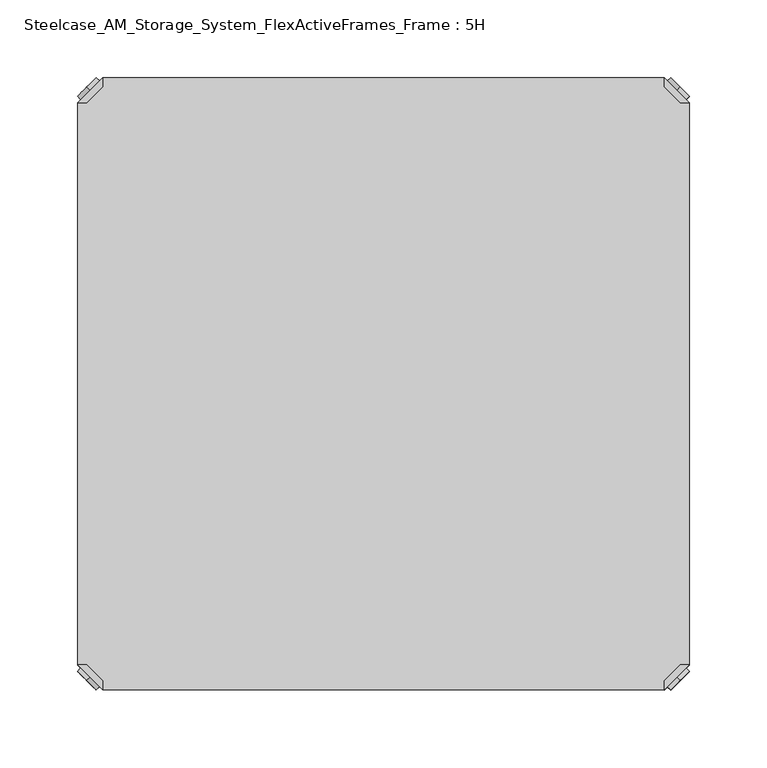
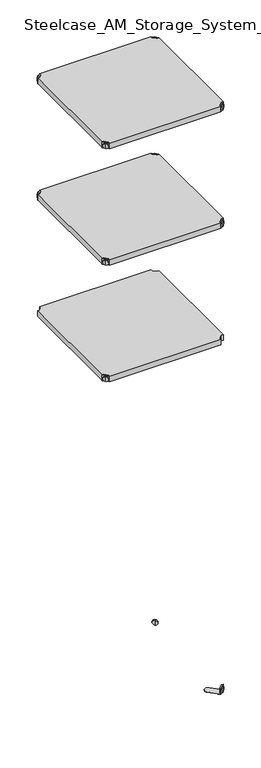
"""IFC4 building model written with IfcOpenShell, lengths in millimetres: furniture geometry, Steelcase_AM_Storage_System_FlexActiveFrames_Frame : 5H."""

from ifc_helpers import new_model, si_unit, frame, origin, place, context, project, spatial, polyline, circle_curve, outline, extrude, source, transform, mapped, element, save
from ifc_brep_helpers import plane_surface, cylinder_surface, advanced_brep


def steelcase_am_storage_system_flexactiveframes_frame_5h_ab9f8e36(model_context):
    return source(origin(), model_context, "Body", "SolidModel", [
        advanced_brep(
        [(10.9601551, 10.9601551, 1298.5), (10.9601551, 10.9601551, 1307.0), (10.9601551, 10.9601551, 1315.5), (8.8388348, 8.8388348, 1298.5), (8.8388348, 8.8388348, 1315.5), (8.8388348, 8.8388348, 1307.0)],
        [
            (0, 1),
            (1, 2),
            (2, 0, circle_curve(frame((10.9601551, 10.9601551, 1307.0), z_axis=(0.7071067811865464, 0.7071067811865487, 0.0), x_axis=(0.0, 0.0, 1.0)), 8.5)),
            (0, 2, circle_curve(frame((10.9601551, 10.9601551, 1307.0), z_axis=(0.7071067811865464, 0.7071067811865487, 0.0), x_axis=(0.0, 0.0, 1.0)), 8.5)),
            (3, 0),
            (2, 4),
            (4, 3, circle_curve(frame((8.8388348, 8.8388348, 1307.0), z_axis=(0.7071067811865464, 0.7071067811865487, 0.0), x_axis=(0.0, 0.0, 1.0)), 8.5)),
            (3, 4, circle_curve(frame((8.8388348, 8.8388348, 1307.0), z_axis=(0.7071067811865464, 0.7071067811865487, 0.0), x_axis=(0.0, 0.0, 1.0)), 8.5)),
            (5, 3),
            (4, 5),
        ],
        [
            plane_surface(frame((10.9601551, 10.9601551, 1307.0), z_axis=(0.707106781186546, 0.7071067811865491, 0.0), x_axis=(0.0, 0.0, 1.0))),
            cylinder_surface(frame((8.8388348, 8.8388348, 1307.0), z_axis=(-0.7071067811865464, -0.7071067811865487, 0.0), x_axis=(0.0, 0.0, 1.0)), 8.5),
            plane_surface(frame((8.8388348, 8.8388348, 1307.0), z_axis=(-0.707106781186546, -0.7071067811865491, 0.0), x_axis=(0.0, 0.0, 1.0))),
        ],
        [
            (0, [[1, 2, 3]]),
            (0, [[-2, -1, 4]]),
            (1, [[5, -3, 6, 7]]),
            (1, [[-6, -4, -5, 8]]),
            (2, [[9, -7, 10]]),
            (2, [[-10, -8, -9]]),
        ],
    ),
        advanced_brep(
        [(18.9203102, 3.0, 1317.0), (18.9203102, 8.6568542, 1317.0), (8.6568542, 18.9203102, 1317.0), (3.0, 18.9203102, 1317.0), (3.0, 18.9203102, 1298.0), (3.0, 18.9203102, 1297.0), (18.9203102, 3.0, 1297.0), (18.9203102, 3.0, 1298.0), (18.9203102, 8.6568542, 1298.0), (8.6568542, 18.9203102, 1298.0), (47.7297077, 31.8093975, 1298.0), (31.8093975, 47.7297077, 1298.0), (31.8093975, 47.7297077, 1297.0), (47.7297077, 31.8093975, 1297.0)],
        [
            (0, 1),
            (1, 2),
            (2, 3),
            (3, 0),
            (3, 4),
            (4, 5),
            (5, 6),
            (6, 7),
            (7, 0),
            (1, 8),
            (8, 9),
            (9, 2),
            (7, 8),
            (9, 4),
            (7, 10),
            (10, 11, circle_curve(frame((39.7695526, 39.7695526, 1298.0), z_axis=(0.0, 0.0, 1.0), x_axis=(1.0, 0.0, 0.0)), 11.2573593)),
            (11, 4),
            (5, 12),
            (12, 13, circle_curve(frame((39.7695526, 39.7695526, 1297.0), z_axis=(0.0, 0.0, -1.0), x_axis=(1.0, 0.0, 0.0)), 11.2573593)),
            (13, 6),
            (11, 12),
            (10, 13),
        ],
        [
            plane_surface(frame((-38.8756299, 60.7959401, 1317.0), z_axis=(0.0, 0.0, 1.0000000000000002), x_axis=(-0.7071067811865557, 0.7071067811865395, 0.0))),
            plane_surface(frame((18.9203102, 3.0, 1317.0), z_axis=(-0.7071067811865395, -0.7071067811865557, 0.0), x_axis=(0.0, 0.0, -1.0))),
            plane_surface(frame((8.6568542, 18.9203102, 1317.0), z_axis=(0.7071067811865481, 0.7071067811865469, 0.0), x_axis=(0.0, 0.0, -1.0))),
            plane_surface(frame((18.9203102, 8.6568542, 1317.0), z_axis=(1.0, 0.0, 0.0), x_axis=(0.0, 0.0, -1.0))),
            plane_surface(frame((3.0, 18.9203102, 1317.0), z_axis=(0.0, 1.0, 0.0), x_axis=(0.0, 0.0, -1.0))),
            plane_surface(frame((3.0, 18.9203102, 1298.0), z_axis=(0.0, 0.0, 1.0), x_axis=(-0.7071067811865485, 0.7071067811865466, 0.0))),
            plane_surface(frame((3.0, 18.9203102, 1297.0), z_axis=(0.0, 0.0, -1.0), x_axis=(0.7071067811865485, -0.7071067811865466, 0.0))),
            plane_surface(frame((3.0, 18.9203102, 1298.0), z_axis=(-0.7071067811865491, 0.707106781186546, 0.0), x_axis=(0.0, 0.0, -1.0))),
            cylinder_surface(frame((39.7695526, 39.7695526, 1297.0), z_axis=(0.0, 0.0, 1.0), x_axis=(1.0, 0.0, 0.0)), 11.2573593),
            plane_surface(frame((47.7297077, 31.8093975, 1298.0), z_axis=(0.707106781186548, -0.7071067811865471, 0.0), x_axis=(0.0, 0.0, -1.0))),
        ],
        [
            (0, [[1, 2, 3, 4]]),
            (1, [[5, 6, 7, 8, 9, -4]]),
            (2, [[10, 11, 12, -2]]),
            (3, [[-9, 13, -10, -1]]),
            (4, [[-12, 14, -5, -3]]),
            (5, [[-14, -11, -13, 15, 16, 17]]),
            (6, [[-7, 18, 19, 20]]),
            (7, [[21, -18, -6, -17]]),
            (8, [[22, -19, -21, -16]]),
            (9, [[-8, -20, -22, -15]]),
        ],
    ),
        extrude(outline(polyline([(381.0796898, 3.0), (18.9203102, 3.0), (18.9203102, 8.6568542), (8.6568542, 18.9203102), (3.0, 18.9203102), (3.0, 381.0796898), (8.6568542, 381.0796898), (18.9203102, 391.3431458), (18.9203102, 397.0), (381.0796898, 397.0), (381.0796898, 391.3431458), (391.3431458, 381.0796898), (397.0, 381.0796898), (397.0, 18.9203102), (391.3431458, 18.9203102), (381.0796898, 8.6568542), (381.0796898, 3.0)])), frame((0.0, 0.0, 1298.0), z_axis=(0.0, 0.0, 1.0), x_axis=(1.0, 0.0, 0.0)), (0.0, 0.0, 1.0), 19.0),
        advanced_brep(
        [(389.0398449, 10.9601551, 1698.5), (389.0398449, 10.9601551, 1715.5), (389.0398449, 10.9601551, 1707.0), (391.1611652, 8.8388348, 1698.5), (391.1611652, 8.8388348, 1715.5), (391.1611652, 8.8388348, 1707.0)],
        [
            (0, 1, circle_curve(frame((389.0398449, 10.9601551, 1707.0), z_axis=(-0.7071067811865556, 0.7071067811865395, 0.0), x_axis=(0.0, 0.0, 1.0)), 8.5)),
            (1, 2),
            (2, 0),
            (1, 0, circle_curve(frame((389.0398449, 10.9601551, 1707.0), z_axis=(-0.7071067811865556, 0.7071067811865395, 0.0), x_axis=(0.0, 0.0, 1.0)), 8.5)),
            (3, 4, circle_curve(frame((391.1611652, 8.8388348, 1707.0), z_axis=(-0.7071067811865556, 0.7071067811865395, 0.0), x_axis=(0.0, 0.0, 1.0)), 8.5)),
            (4, 1),
            (0, 3),
            (4, 3, circle_curve(frame((391.1611652, 8.8388348, 1707.0), z_axis=(-0.7071067811865556, 0.7071067811865395, 0.0), x_axis=(0.0, 0.0, 1.0)), 8.5)),
            (5, 4),
            (3, 5),
        ],
        [
            plane_surface(frame((389.0398449, 10.9601551, 1707.0), z_axis=(-0.7071067811865552, 0.7071067811865399, 0.0), x_axis=(0.0, 0.0, 1.0))),
            cylinder_surface(frame((391.1611652, 8.8388348, 1707.0), z_axis=(0.7071067811865556, -0.7071067811865395, 0.0), x_axis=(0.0, 0.0, 1.0)), 8.5),
            plane_surface(frame((391.1611652, 8.8388348, 1707.0), z_axis=(0.7071067811865552, -0.7071067811865399, 0.0), x_axis=(0.0, 0.0, 1.0))),
        ],
        [
            (0, [[1, 2, 3]]),
            (0, [[4, -3, -2]]),
            (1, [[5, 6, -1, 7]]),
            (1, [[8, -7, -4, -6]]),
            (2, [[9, -5, 10]]),
            (2, [[-10, -8, -9]]),
        ],
    ),
        advanced_brep(
        [(381.0796898, 3.0, 1717.0), (397.0, 18.9203102, 1717.0), (391.3431458, 18.9203102, 1717.0), (381.0796898, 8.6568542, 1717.0), (381.0796898, 3.0, 1698.0), (381.0796898, 3.0, 1697.0), (397.0, 18.9203102, 1697.0), (397.0, 18.9203102, 1698.0), (391.3431458, 18.9203102, 1698.0), (381.0796898, 8.6568542, 1698.0), (368.1906025, 47.7297077, 1698.0), (352.2702923, 31.8093975, 1698.0), (352.2702923, 31.8093975, 1697.0), (368.1906025, 47.7297077, 1697.0)],
        [
            (0, 1),
            (1, 2),
            (2, 3),
            (3, 0),
            (0, 4),
            (4, 5),
            (5, 6),
            (6, 7),
            (7, 1),
            (2, 8),
            (8, 9),
            (9, 3),
            (9, 4),
            (7, 8),
            (7, 10),
            (10, 11, circle_curve(frame((360.2304474, 39.7695526, 1698.0), z_axis=(0.0, 0.0, 1.0), x_axis=(-1.0, 0.0, 0.0)), 11.2573593)),
            (11, 4),
            (5, 12),
            (12, 13, circle_curve(frame((360.2304474, 39.7695526, 1697.0), z_axis=(0.0, 0.0, -1.0), x_axis=(-1.0, 0.0, 0.0)), 11.2573593)),
            (13, 6),
            (13, 10),
            (12, 11),
        ],
        [
            plane_surface(frame((438.8756299, 60.7959401, 1717.0), z_axis=(0.0, 0.0, 1.0000000000000002), x_axis=(0.7071067811865465, 0.7071067811865487, 0.0))),
            plane_surface(frame((381.0796898, 3.0, 1717.0), z_axis=(0.7071067811865487, -0.7071067811865465, 0.0), x_axis=(0.0, 0.0, -1.0))),
            plane_surface(frame((391.3431458, 18.9203102, 1717.0), z_axis=(-0.7071067811865573, 0.7071067811865377, 0.0), x_axis=(0.0, 0.0, -1.0))),
            plane_surface(frame((381.0796898, 8.6568542, 1717.0), z_axis=(-1.0, 0.0, 0.0), x_axis=(0.0, 0.0, -1.0))),
            plane_surface(frame((397.0, 18.9203102, 1717.0), z_axis=(0.0, 1.0, 0.0), x_axis=(0.0, 0.0, -1.0))),
            plane_surface(frame((397.0, 18.9203102, 1698.0), z_axis=(0.0, 0.0, 1.0), x_axis=(0.7071067811865392, 0.7071067811865558, 0.0))),
            plane_surface(frame((397.0, 18.9203102, 1697.0), z_axis=(0.0, 0.0, -1.0), x_axis=(-0.7071067811865392, -0.7071067811865558, 0.0))),
            plane_surface(frame((397.0, 18.9203102, 1698.0), z_axis=(0.7071067811865399, 0.7071067811865552, 0.0), x_axis=(0.0, 0.0, -1.0))),
            cylinder_surface(frame((360.2304474, 39.7695526, 1697.0), z_axis=(0.0, 0.0, 1.0), x_axis=(-1.0, 0.0, 0.0)), 11.2573593),
            plane_surface(frame((352.2702923, 31.8093975, 1698.0), z_axis=(-0.7071067811865388, -0.7071067811865563, 0.0), x_axis=(0.0, 0.0, -1.0))),
        ],
        [
            (0, [[1, 2, 3, 4]]),
            (1, [[-1, 5, 6, 7, 8, 9]]),
            (2, [[-3, 10, 11, 12]]),
            (3, [[-4, -12, 13, -5]]),
            (4, [[-2, -9, 14, -10]]),
            (5, [[15, 16, 17, -13, -11, -14]]),
            (6, [[18, 19, 20, -7]]),
            (7, [[-15, -8, -20, 21]]),
            (8, [[-16, -21, -19, 22]]),
            (9, [[-17, -22, -18, -6]]),
        ],
    ),
        advanced_brep(
        [(389.0398449, 389.0398449, 1698.5), (389.0398449, 389.0398449, 1707.0), (389.0398449, 389.0398449, 1715.5), (391.1611652, 391.1611652, 1698.5), (391.1611652, 391.1611652, 1715.5), (391.1611652, 391.1611652, 1707.0)],
        [
            (0, 1),
            (1, 2),
            (2, 0, circle_curve(frame((389.0398449, 389.0398449, 1707.0), z_axis=(-0.7071067811865509, -0.7071067811865441, 0.0), x_axis=(0.0, 0.0, 1.0)), 8.5)),
            (0, 2, circle_curve(frame((389.0398449, 389.0398449, 1707.0), z_axis=(-0.7071067811865509, -0.7071067811865441, 0.0), x_axis=(0.0, 0.0, 1.0)), 8.5)),
            (3, 0),
            (2, 4),
            (4, 3, circle_curve(frame((391.1611652, 391.1611652, 1707.0), z_axis=(-0.7071067811865509, -0.7071067811865441, 0.0), x_axis=(0.0, 0.0, 1.0)), 8.5)),
            (3, 4, circle_curve(frame((391.1611652, 391.1611652, 1707.0), z_axis=(-0.7071067811865509, -0.7071067811865441, 0.0), x_axis=(0.0, 0.0, 1.0)), 8.5)),
            (5, 3),
            (4, 5),
        ],
        [
            plane_surface(frame((389.0398449, 389.0398449, 1707.0), z_axis=(-0.7071067811865506, -0.7071067811865446, 0.0), x_axis=(0.0, 0.0, 1.0))),
            cylinder_surface(frame((391.1611652, 391.1611652, 1707.0), z_axis=(0.7071067811865509, 0.7071067811865441, 0.0), x_axis=(0.0, 0.0, 1.0)), 8.5),
            plane_surface(frame((391.1611652, 391.1611652, 1707.0), z_axis=(0.7071067811865506, 0.7071067811865446, 0.0), x_axis=(0.0, 0.0, 1.0))),
        ],
        [
            (0, [[1, 2, 3]]),
            (0, [[-2, -1, 4]]),
            (1, [[5, -3, 6, 7]]),
            (1, [[-6, -4, -5, 8]]),
            (2, [[9, -7, 10]]),
            (2, [[-10, -8, -9]]),
        ],
    ),
        advanced_brep(
        [(381.0796898, 397.0, 1717.0), (381.0796898, 391.3431458, 1717.0), (391.3431458, 381.0796898, 1717.0), (397.0, 381.0796898, 1717.0), (397.0, 381.0796898, 1698.0), (397.0, 381.0796898, 1697.0), (381.0796898, 397.0, 1697.0), (381.0796898, 397.0, 1698.0), (381.0796898, 391.3431458, 1698.0), (391.3431458, 381.0796898, 1698.0), (352.2702923, 368.1906025, 1698.0), (368.1906025, 352.2702923, 1698.0), (368.1906025, 352.2702923, 1697.0), (352.2702923, 368.1906025, 1697.0)],
        [
            (0, 1),
            (1, 2),
            (2, 3),
            (3, 0),
            (3, 4),
            (4, 5),
            (5, 6),
            (6, 7),
            (7, 0),
            (1, 8),
            (8, 9),
            (9, 2),
            (7, 8),
            (9, 4),
            (7, 10),
            (10, 11, circle_curve(frame((360.2304474, 360.2304474, 1698.0), z_axis=(0.0, 0.0, 1.0), x_axis=(-1.0, 0.0, 0.0)), 11.2573593)),
            (11, 4),
            (5, 12),
            (12, 13, circle_curve(frame((360.2304474, 360.2304474, 1697.0), z_axis=(0.0, 0.0, -1.0), x_axis=(-1.0, 0.0, 0.0)), 11.2573593)),
            (13, 6),
            (11, 12),
            (10, 13),
        ],
        [
            plane_surface(frame((438.8756299, 339.2040599, 1717.0), z_axis=(0.0, 0.0, 1.0000000000000002), x_axis=(0.7071067811865511, -0.707106781186544, 0.0))),
            plane_surface(frame((381.0796898, 397.0, 1717.0), z_axis=(0.707106781186544, 0.7071067811865511, 0.0), x_axis=(0.0, 0.0, -1.0))),
            plane_surface(frame((391.3431458, 381.0796898, 1717.0), z_axis=(-0.7071067811865527, -0.7071067811865424, 0.0), x_axis=(0.0, 0.0, -1.0))),
            plane_surface(frame((381.0796898, 391.3431458, 1717.0), z_axis=(-1.0, 0.0, 0.0), x_axis=(0.0, 0.0, -1.0))),
            plane_surface(frame((397.0, 381.0796898, 1717.0), z_axis=(0.0, -1.0, 0.0), x_axis=(0.0, 0.0, -1.0))),
            plane_surface(frame((397.0, 381.0796898, 1698.0), z_axis=(0.0, 0.0, 1.0), x_axis=(0.7071067811865439, -0.7071067811865511, 0.0))),
            plane_surface(frame((397.0, 381.0796898, 1697.0), z_axis=(0.0, 0.0, -1.0), x_axis=(-0.7071067811865439, 0.7071067811865511, 0.0))),
            plane_surface(frame((397.0, 381.0796898, 1698.0), z_axis=(0.7071067811865446, -0.7071067811865506, 0.0), x_axis=(0.0, 0.0, -1.0))),
            cylinder_surface(frame((360.2304474, 360.2304474, 1697.0), z_axis=(0.0, 0.0, 1.0), x_axis=(-1.0, 0.0, 0.0)), 11.2573593),
            plane_surface(frame((352.2702923, 368.1906025, 1698.0), z_axis=(-0.7071067811865435, 0.7071067811865517, 0.0), x_axis=(0.0, 0.0, -1.0))),
        ],
        [
            (0, [[1, 2, 3, 4]]),
            (1, [[5, 6, 7, 8, 9, -4]]),
            (2, [[10, 11, 12, -2]]),
            (3, [[-9, 13, -10, -1]]),
            (4, [[-12, 14, -5, -3]]),
            (5, [[-14, -11, -13, 15, 16, 17]]),
            (6, [[-7, 18, 19, 20]]),
            (7, [[21, -18, -6, -17]]),
            (8, [[22, -19, -21, -16]]),
            (9, [[-8, -20, -22, -15]]),
        ],
    ),
        advanced_brep(
        [(10.9601551, 389.0398449, 1698.5), (10.9601551, 389.0398449, 1715.5), (10.9601551, 389.0398449, 1707.0), (8.8388348, 391.1611652, 1698.5), (8.8388348, 391.1611652, 1715.5), (8.8388348, 391.1611652, 1707.0)],
        [
            (0, 1, circle_curve(frame((10.9601551, 389.0398449, 1707.0), z_axis=(0.7071067811865509, -0.7071067811865441, 0.0), x_axis=(0.0, 0.0, 1.0)), 8.5)),
            (1, 2),
            (2, 0),
            (1, 0, circle_curve(frame((10.9601551, 389.0398449, 1707.0), z_axis=(0.7071067811865509, -0.7071067811865441, 0.0), x_axis=(0.0, 0.0, 1.0)), 8.5)),
            (3, 4, circle_curve(frame((8.8388348, 391.1611652, 1707.0), z_axis=(0.7071067811865509, -0.7071067811865441, 0.0), x_axis=(0.0, 0.0, 1.0)), 8.5)),
            (4, 1),
            (0, 3),
            (4, 3, circle_curve(frame((8.8388348, 391.1611652, 1707.0), z_axis=(0.7071067811865509, -0.7071067811865441, 0.0), x_axis=(0.0, 0.0, 1.0)), 8.5)),
            (5, 4),
            (3, 5),
        ],
        [
            plane_surface(frame((10.9601551, 389.0398449, 1707.0), z_axis=(0.7071067811865506, -0.7071067811865446, 0.0), x_axis=(0.0, 0.0, 1.0))),
            cylinder_surface(frame((8.8388348, 391.1611652, 1707.0), z_axis=(-0.7071067811865509, 0.7071067811865441, 0.0), x_axis=(0.0, 0.0, 1.0)), 8.5),
            plane_surface(frame((8.8388348, 391.1611652, 1707.0), z_axis=(-0.7071067811865506, 0.7071067811865446, 0.0), x_axis=(0.0, 0.0, 1.0))),
        ],
        [
            (0, [[1, 2, 3]]),
            (0, [[4, -3, -2]]),
            (1, [[5, 6, -1, 7]]),
            (1, [[8, -7, -4, -6]]),
            (2, [[9, -5, 10]]),
            (2, [[-10, -8, -9]]),
        ],
    ),
        advanced_brep(
        [(18.9203102, 397.0, 1717.0), (3.0, 381.0796898, 1717.0), (8.6568542, 381.0796898, 1717.0), (18.9203102, 391.3431458, 1717.0), (18.9203102, 397.0, 1698.0), (18.9203102, 397.0, 1697.0), (3.0, 381.0796898, 1697.0), (3.0, 381.0796898, 1698.0), (8.6568542, 381.0796898, 1698.0), (18.9203102, 391.3431458, 1698.0), (31.8093975, 352.2702923, 1698.0), (47.7297077, 368.1906025, 1698.0), (47.7297077, 368.1906025, 1697.0), (31.8093975, 352.2702923, 1697.0)],
        [
            (0, 1),
            (1, 2),
            (2, 3),
            (3, 0),
            (0, 4),
            (4, 5),
            (5, 6),
            (6, 7),
            (7, 1),
            (2, 8),
            (8, 9),
            (9, 3),
            (9, 4),
            (7, 8),
            (7, 10),
            (10, 11, circle_curve(frame((39.7695526, 360.2304474, 1698.0), z_axis=(0.0, 0.0, 1.0), x_axis=(1.0, 0.0, 0.0)), 11.2573593)),
            (11, 4),
            (5, 12),
            (12, 13, circle_curve(frame((39.7695526, 360.2304474, 1697.0), z_axis=(0.0, 0.0, -1.0), x_axis=(1.0, 0.0, 0.0)), 11.2573593)),
            (13, 6),
            (13, 10),
            (12, 11),
        ],
        [
            plane_surface(frame((-38.8756299, 339.2040599, 1717.0), z_axis=(0.0, 0.0, 1.0000000000000002), x_axis=(-0.7071067811865511, -0.707106781186544, 0.0))),
            plane_surface(frame((18.9203102, 397.0, 1717.0), z_axis=(-0.707106781186544, 0.7071067811865511, 0.0), x_axis=(0.0, 0.0, -1.0))),
            plane_surface(frame((8.6568542, 381.0796898, 1717.0), z_axis=(0.7071067811865527, -0.7071067811865424, 0.0), x_axis=(0.0, 0.0, -1.0))),
            plane_surface(frame((18.9203102, 391.3431458, 1717.0), z_axis=(1.0, 0.0, 0.0), x_axis=(0.0, 0.0, -1.0))),
            plane_surface(frame((3.0, 381.0796898, 1717.0), z_axis=(0.0, -1.0, 0.0), x_axis=(0.0, 0.0, -1.0))),
            plane_surface(frame((3.0, 381.0796898, 1698.0), z_axis=(0.0, 0.0, 1.0), x_axis=(-0.7071067811865439, -0.7071067811865511, 0.0))),
            plane_surface(frame((3.0, 381.0796898, 1697.0), z_axis=(0.0, 0.0, -1.0), x_axis=(0.7071067811865439, 0.7071067811865511, 0.0))),
            plane_surface(frame((3.0, 381.0796898, 1698.0), z_axis=(-0.7071067811865446, -0.7071067811865506, 0.0), x_axis=(0.0, 0.0, -1.0))),
            cylinder_surface(frame((39.7695526, 360.2304474, 1697.0), z_axis=(0.0, 0.0, 1.0), x_axis=(1.0, 0.0, 0.0)), 11.2573593),
            plane_surface(frame((47.7297077, 368.1906025, 1698.0), z_axis=(0.7071067811865435, 0.7071067811865517, 0.0), x_axis=(0.0, 0.0, -1.0))),
        ],
        [
            (0, [[1, 2, 3, 4]]),
            (1, [[-1, 5, 6, 7, 8, 9]]),
            (2, [[-3, 10, 11, 12]]),
            (3, [[-4, -12, 13, -5]]),
            (4, [[-2, -9, 14, -10]]),
            (5, [[15, 16, 17, -13, -11, -14]]),
            (6, [[18, 19, 20, -7]]),
            (7, [[-15, -8, -20, 21]]),
            (8, [[-16, -21, -19, 22]]),
            (9, [[-17, -22, -18, -6]]),
        ],
    ),
        advanced_brep(
        [(10.9601551, 10.9601551, 1698.5), (10.9601551, 10.9601551, 1707.0), (10.9601551, 10.9601551, 1715.5), (8.8388348, 8.8388348, 1698.5), (8.8388348, 8.8388348, 1715.5), (8.8388348, 8.8388348, 1707.0)],
        [
            (0, 1),
            (1, 2),
            (2, 0, circle_curve(frame((10.9601551, 10.9601551, 1707.0), z_axis=(0.7071067811865464, 0.7071067811865487, 0.0), x_axis=(0.0, 0.0, 1.0)), 8.5)),
            (0, 2, circle_curve(frame((10.9601551, 10.9601551, 1707.0), z_axis=(0.7071067811865464, 0.7071067811865487, 0.0), x_axis=(0.0, 0.0, 1.0)), 8.5)),
            (3, 0),
            (2, 4),
            (4, 3, circle_curve(frame((8.8388348, 8.8388348, 1707.0), z_axis=(0.7071067811865464, 0.7071067811865487, 0.0), x_axis=(0.0, 0.0, 1.0)), 8.5)),
            (3, 4, circle_curve(frame((8.8388348, 8.8388348, 1707.0), z_axis=(0.7071067811865464, 0.7071067811865487, 0.0), x_axis=(0.0, 0.0, 1.0)), 8.5)),
            (5, 3),
            (4, 5),
        ],
        [
            plane_surface(frame((10.9601551, 10.9601551, 1707.0), z_axis=(0.707106781186546, 0.7071067811865491, 0.0), x_axis=(0.0, 0.0, 1.0))),
            cylinder_surface(frame((8.8388348, 8.8388348, 1707.0), z_axis=(-0.7071067811865464, -0.7071067811865487, 0.0), x_axis=(0.0, 0.0, 1.0)), 8.5),
            plane_surface(frame((8.8388348, 8.8388348, 1707.0), z_axis=(-0.707106781186546, -0.7071067811865491, 0.0), x_axis=(0.0, 0.0, 1.0))),
        ],
        [
            (0, [[1, 2, 3]]),
            (0, [[-2, -1, 4]]),
            (1, [[5, -3, 6, 7]]),
            (1, [[-6, -4, -5, 8]]),
            (2, [[9, -7, 10]]),
            (2, [[-10, -8, -9]]),
        ],
    ),
        advanced_brep(
        [(18.9203102, 3.0, 1717.0), (18.9203102, 8.6568542, 1717.0), (8.6568542, 18.9203102, 1717.0), (3.0, 18.9203102, 1717.0), (3.0, 18.9203102, 1698.0), (3.0, 18.9203102, 1697.0), (18.9203102, 3.0, 1697.0), (18.9203102, 3.0, 1698.0), (18.9203102, 8.6568542, 1698.0), (8.6568542, 18.9203102, 1698.0), (47.7297077, 31.8093975, 1698.0), (31.8093975, 47.7297077, 1698.0), (31.8093975, 47.7297077, 1697.0), (47.7297077, 31.8093975, 1697.0)],
        [
            (0, 1),
            (1, 2),
            (2, 3),
            (3, 0),
            (3, 4),
            (4, 5),
            (5, 6),
            (6, 7),
            (7, 0),
            (1, 8),
            (8, 9),
            (9, 2),
            (7, 8),
            (9, 4),
            (7, 10),
            (10, 11, circle_curve(frame((39.7695526, 39.7695526, 1698.0), z_axis=(0.0, 0.0, 1.0), x_axis=(1.0, 0.0, 0.0)), 11.2573593)),
            (11, 4),
            (5, 12),
            (12, 13, circle_curve(frame((39.7695526, 39.7695526, 1697.0), z_axis=(0.0, 0.0, -1.0), x_axis=(1.0, 0.0, 0.0)), 11.2573593)),
            (13, 6),
            (11, 12),
            (10, 13),
        ],
        [
            plane_surface(frame((-38.8756299, 60.7959401, 1717.0), z_axis=(0.0, 0.0, 1.0000000000000002), x_axis=(-0.7071067811865557, 0.7071067811865395, 0.0))),
            plane_surface(frame((18.9203102, 3.0, 1717.0), z_axis=(-0.7071067811865395, -0.7071067811865557, 0.0), x_axis=(0.0, 0.0, -1.0))),
            plane_surface(frame((8.6568542, 18.9203102, 1717.0), z_axis=(0.7071067811865481, 0.7071067811865469, 0.0), x_axis=(0.0, 0.0, -1.0))),
            plane_surface(frame((18.9203102, 8.6568542, 1717.0), z_axis=(1.0, 0.0, 0.0), x_axis=(0.0, 0.0, -1.0))),
            plane_surface(frame((3.0, 18.9203102, 1717.0), z_axis=(0.0, 1.0, 0.0), x_axis=(0.0, 0.0, -1.0))),
            plane_surface(frame((3.0, 18.9203102, 1698.0), z_axis=(0.0, 0.0, 1.0), x_axis=(-0.7071067811865485, 0.7071067811865466, 0.0))),
            plane_surface(frame((3.0, 18.9203102, 1697.0), z_axis=(0.0, 0.0, -1.0), x_axis=(0.7071067811865485, -0.7071067811865466, 0.0))),
            plane_surface(frame((3.0, 18.9203102, 1698.0), z_axis=(-0.7071067811865491, 0.707106781186546, 0.0), x_axis=(0.0, 0.0, -1.0))),
            cylinder_surface(frame((39.7695526, 39.7695526, 1697.0), z_axis=(0.0, 0.0, 1.0), x_axis=(1.0, 0.0, 0.0)), 11.2573593),
            plane_surface(frame((47.7297077, 31.8093975, 1698.0), z_axis=(0.707106781186548, -0.7071067811865471, 0.0), x_axis=(0.0, 0.0, -1.0))),
        ],
        [
            (0, [[1, 2, 3, 4]]),
            (1, [[5, 6, 7, 8, 9, -4]]),
            (2, [[10, 11, 12, -2]]),
            (3, [[-9, 13, -10, -1]]),
            (4, [[-12, 14, -5, -3]]),
            (5, [[-14, -11, -13, 15, 16, 17]]),
            (6, [[-7, 18, 19, 20]]),
            (7, [[21, -18, -6, -17]]),
            (8, [[22, -19, -21, -16]]),
            (9, [[-8, -20, -22, -15]]),
        ],
    ),
        extrude(outline(polyline([(381.0796898, 3.0), (18.9203102, 3.0), (18.9203102, 8.6568542), (8.6568542, 18.9203102), (3.0, 18.9203102), (3.0, 381.0796898), (8.6568542, 381.0796898), (18.9203102, 391.3431458), (18.9203102, 397.0), (381.0796898, 397.0), (381.0796898, 391.3431458), (391.3431458, 381.0796898), (397.0, 381.0796898), (397.0, 18.9203102), (391.3431458, 18.9203102), (381.0796898, 8.6568542), (381.0796898, 3.0)])), frame((0.0, 0.0, 1698.0), z_axis=(0.0, 0.0, 1.0), x_axis=(1.0, 0.0, 0.0)), (0.0, 0.0, 1.0), 19.0),
        advanced_brep(
        [(389.0398449, 10.9601551, 2098.5), (389.0398449, 10.9601551, 2115.5), (389.0398449, 10.9601551, 2107.0), (391.1611652, 8.8388348, 2098.5), (391.1611652, 8.8388348, 2115.5), (391.1611652, 8.8388348, 2107.0)],
        [
            (0, 1, circle_curve(frame((389.0398449, 10.9601551, 2107.0), z_axis=(-0.7071067811865556, 0.7071067811865395, 0.0), x_axis=(0.0, 0.0, 1.0)), 8.5)),
            (1, 2),
            (2, 0),
            (1, 0, circle_curve(frame((389.0398449, 10.9601551, 2107.0), z_axis=(-0.7071067811865556, 0.7071067811865395, 0.0), x_axis=(0.0, 0.0, 1.0)), 8.5)),
            (3, 4, circle_curve(frame((391.1611652, 8.8388348, 2107.0), z_axis=(-0.7071067811865556, 0.7071067811865395, 0.0), x_axis=(0.0, 0.0, 1.0)), 8.5)),
            (4, 1),
            (0, 3),
            (4, 3, circle_curve(frame((391.1611652, 8.8388348, 2107.0), z_axis=(-0.7071067811865556, 0.7071067811865395, 0.0), x_axis=(0.0, 0.0, 1.0)), 8.5)),
            (5, 4),
            (3, 5),
        ],
        [
            plane_surface(frame((389.0398449, 10.9601551, 2107.0), z_axis=(-0.7071067811865552, 0.7071067811865399, 0.0), x_axis=(0.0, 0.0, 1.0))),
            cylinder_surface(frame((391.1611652, 8.8388348, 2107.0), z_axis=(0.7071067811865556, -0.7071067811865395, 0.0), x_axis=(0.0, 0.0, 1.0)), 8.5),
            plane_surface(frame((391.1611652, 8.8388348, 2107.0), z_axis=(0.7071067811865552, -0.7071067811865399, 0.0), x_axis=(0.0, 0.0, 1.0))),
        ],
        [
            (0, [[1, 2, 3]]),
            (0, [[4, -3, -2]]),
            (1, [[5, 6, -1, 7]]),
            (1, [[8, -7, -4, -6]]),
            (2, [[9, -5, 10]]),
            (2, [[-10, -8, -9]]),
        ],
    ),
        advanced_brep(
        [(381.0796898, 3.0, 2117.0), (397.0, 18.9203102, 2117.0), (391.3431458, 18.9203102, 2117.0), (381.0796898, 8.6568542, 2117.0), (381.0796898, 3.0, 2098.0), (381.0796898, 3.0, 2097.0), (397.0, 18.9203102, 2097.0), (397.0, 18.9203102, 2098.0), (391.3431458, 18.9203102, 2098.0), (381.0796898, 8.6568542, 2098.0), (368.1906025, 47.7297077, 2098.0), (352.2702923, 31.8093975, 2098.0), (352.2702923, 31.8093975, 2097.0), (368.1906025, 47.7297077, 2097.0)],
        [
            (0, 1),
            (1, 2),
            (2, 3),
            (3, 0),
            (0, 4),
            (4, 5),
            (5, 6),
            (6, 7),
            (7, 1),
            (2, 8),
            (8, 9),
            (9, 3),
            (9, 4),
            (7, 8),
            (7, 10),
            (10, 11, circle_curve(frame((360.2304474, 39.7695526, 2098.0), z_axis=(0.0, 0.0, 1.0), x_axis=(-1.0, 0.0, 0.0)), 11.2573593)),
            (11, 4),
            (5, 12),
            (12, 13, circle_curve(frame((360.2304474, 39.7695526, 2097.0), z_axis=(0.0, 0.0, -1.0), x_axis=(-1.0, 0.0, 0.0)), 11.2573593)),
            (13, 6),
            (13, 10),
            (12, 11),
        ],
        [
            plane_surface(frame((438.8756299, 60.7959401, 2117.0), z_axis=(0.0, 0.0, 1.0000000000000002), x_axis=(0.7071067811865465, 0.7071067811865487, 0.0))),
            plane_surface(frame((381.0796898, 3.0, 2117.0), z_axis=(0.7071067811865487, -0.7071067811865465, 0.0), x_axis=(0.0, 0.0, -1.0))),
            plane_surface(frame((391.3431458, 18.9203102, 2117.0), z_axis=(-0.7071067811865573, 0.7071067811865377, 0.0), x_axis=(0.0, 0.0, -1.0))),
            plane_surface(frame((381.0796898, 8.6568542, 2117.0), z_axis=(-1.0, 0.0, 0.0), x_axis=(0.0, 0.0, -1.0))),
            plane_surface(frame((397.0, 18.9203102, 2117.0), z_axis=(0.0, 1.0, 0.0), x_axis=(0.0, 0.0, -1.0))),
            plane_surface(frame((397.0, 18.9203102, 2098.0), z_axis=(0.0, 0.0, 1.0), x_axis=(0.7071067811865392, 0.7071067811865558, 0.0))),
            plane_surface(frame((397.0, 18.9203102, 2097.0), z_axis=(0.0, 0.0, -1.0), x_axis=(-0.7071067811865392, -0.7071067811865558, 0.0))),
            plane_surface(frame((397.0, 18.9203102, 2098.0), z_axis=(0.7071067811865399, 0.7071067811865552, 0.0), x_axis=(0.0, 0.0, -1.0))),
            cylinder_surface(frame((360.2304474, 39.7695526, 2097.0), z_axis=(0.0, 0.0, 1.0), x_axis=(-1.0, 0.0, 0.0)), 11.2573593),
            plane_surface(frame((352.2702923, 31.8093975, 2098.0), z_axis=(-0.7071067811865388, -0.7071067811865563, 0.0), x_axis=(0.0, 0.0, -1.0))),
        ],
        [
            (0, [[1, 2, 3, 4]]),
            (1, [[-1, 5, 6, 7, 8, 9]]),
            (2, [[-3, 10, 11, 12]]),
            (3, [[-4, -12, 13, -5]]),
            (4, [[-2, -9, 14, -10]]),
            (5, [[15, 16, 17, -13, -11, -14]]),
            (6, [[18, 19, 20, -7]]),
            (7, [[-15, -8, -20, 21]]),
            (8, [[-16, -21, -19, 22]]),
            (9, [[-17, -22, -18, -6]]),
        ],
    ),
        advanced_brep(
        [(389.0398449, 389.0398449, 2098.5), (389.0398449, 389.0398449, 2107.0), (389.0398449, 389.0398449, 2115.5), (391.1611652, 391.1611652, 2098.5), (391.1611652, 391.1611652, 2115.5), (391.1611652, 391.1611652, 2107.0)],
        [
            (0, 1),
            (1, 2),
            (2, 0, circle_curve(frame((389.0398449, 389.0398449, 2107.0), z_axis=(-0.7071067811865509, -0.7071067811865441, 0.0), x_axis=(0.0, 0.0, 1.0)), 8.5)),
            (0, 2, circle_curve(frame((389.0398449, 389.0398449, 2107.0), z_axis=(-0.7071067811865509, -0.7071067811865441, 0.0), x_axis=(0.0, 0.0, 1.0)), 8.5)),
            (3, 0),
            (2, 4),
            (4, 3, circle_curve(frame((391.1611652, 391.1611652, 2107.0), z_axis=(-0.7071067811865509, -0.7071067811865441, 0.0), x_axis=(0.0, 0.0, 1.0)), 8.5)),
            (3, 4, circle_curve(frame((391.1611652, 391.1611652, 2107.0), z_axis=(-0.7071067811865509, -0.7071067811865441, 0.0), x_axis=(0.0, 0.0, 1.0)), 8.5)),
            (5, 3),
            (4, 5),
        ],
        [
            plane_surface(frame((389.0398449, 389.0398449, 2107.0), z_axis=(-0.7071067811865506, -0.7071067811865446, 0.0), x_axis=(0.0, 0.0, 1.0))),
            cylinder_surface(frame((391.1611652, 391.1611652, 2107.0), z_axis=(0.7071067811865509, 0.7071067811865441, 0.0), x_axis=(0.0, 0.0, 1.0)), 8.5),
            plane_surface(frame((391.1611652, 391.1611652, 2107.0), z_axis=(0.7071067811865506, 0.7071067811865446, 0.0), x_axis=(0.0, 0.0, 1.0))),
        ],
        [
            (0, [[1, 2, 3]]),
            (0, [[-2, -1, 4]]),
            (1, [[5, -3, 6, 7]]),
            (1, [[-6, -4, -5, 8]]),
            (2, [[9, -7, 10]]),
            (2, [[-10, -8, -9]]),
        ],
    ),
        advanced_brep(
        [(381.0796898, 397.0, 2117.0), (381.0796898, 391.3431458, 2117.0), (391.3431458, 381.0796898, 2117.0), (397.0, 381.0796898, 2117.0), (397.0, 381.0796898, 2098.0), (397.0, 381.0796898, 2097.0), (381.0796898, 397.0, 2097.0), (381.0796898, 397.0, 2098.0), (381.0796898, 391.3431458, 2098.0), (391.3431458, 381.0796898, 2098.0), (352.2702923, 368.1906025, 2098.0), (368.1906025, 352.2702923, 2098.0), (368.1906025, 352.2702923, 2097.0), (352.2702923, 368.1906025, 2097.0)],
        [
            (0, 1),
            (1, 2),
            (2, 3),
            (3, 0),
            (3, 4),
            (4, 5),
            (5, 6),
            (6, 7),
            (7, 0),
            (1, 8),
            (8, 9),
            (9, 2),
            (7, 8),
            (9, 4),
            (7, 10),
            (10, 11, circle_curve(frame((360.2304474, 360.2304474, 2098.0), z_axis=(0.0, 0.0, 1.0), x_axis=(-1.0, 0.0, 0.0)), 11.2573593)),
            (11, 4),
            (5, 12),
            (12, 13, circle_curve(frame((360.2304474, 360.2304474, 2097.0), z_axis=(0.0, 0.0, -1.0), x_axis=(-1.0, 0.0, 0.0)), 11.2573593)),
            (13, 6),
            (11, 12),
            (10, 13),
        ],
        [
            plane_surface(frame((438.8756299, 339.2040599, 2117.0), z_axis=(0.0, 0.0, 1.0000000000000002), x_axis=(0.7071067811865511, -0.707106781186544, 0.0))),
            plane_surface(frame((381.0796898, 397.0, 2117.0), z_axis=(0.707106781186544, 0.7071067811865511, 0.0), x_axis=(0.0, 0.0, -1.0))),
            plane_surface(frame((391.3431458, 381.0796898, 2117.0), z_axis=(-0.7071067811865527, -0.7071067811865424, 0.0), x_axis=(0.0, 0.0, -1.0))),
            plane_surface(frame((381.0796898, 391.3431458, 2117.0), z_axis=(-1.0, 0.0, 0.0), x_axis=(0.0, 0.0, -1.0))),
            plane_surface(frame((397.0, 381.0796898, 2117.0), z_axis=(0.0, -1.0, 0.0), x_axis=(0.0, 0.0, -1.0))),
            plane_surface(frame((397.0, 381.0796898, 2098.0), z_axis=(0.0, 0.0, 1.0), x_axis=(0.7071067811865439, -0.7071067811865511, 0.0))),
            plane_surface(frame((397.0, 381.0796898, 2097.0), z_axis=(0.0, 0.0, -1.0), x_axis=(-0.7071067811865439, 0.7071067811865511, 0.0))),
            plane_surface(frame((397.0, 381.0796898, 2098.0), z_axis=(0.7071067811865446, -0.7071067811865506, 0.0), x_axis=(0.0, 0.0, -1.0))),
            cylinder_surface(frame((360.2304474, 360.2304474, 2097.0), z_axis=(0.0, 0.0, 1.0), x_axis=(-1.0, 0.0, 0.0)), 11.2573593),
            plane_surface(frame((352.2702923, 368.1906025, 2098.0), z_axis=(-0.7071067811865435, 0.7071067811865517, 0.0), x_axis=(0.0, 0.0, -1.0))),
        ],
        [
            (0, [[1, 2, 3, 4]]),
            (1, [[5, 6, 7, 8, 9, -4]]),
            (2, [[10, 11, 12, -2]]),
            (3, [[-9, 13, -10, -1]]),
            (4, [[-12, 14, -5, -3]]),
            (5, [[-14, -11, -13, 15, 16, 17]]),
            (6, [[-7, 18, 19, 20]]),
            (7, [[21, -18, -6, -17]]),
            (8, [[22, -19, -21, -16]]),
            (9, [[-8, -20, -22, -15]]),
        ],
    ),
        advanced_brep(
        [(10.9601551, 389.0398449, 2098.5), (10.9601551, 389.0398449, 2115.5), (10.9601551, 389.0398449, 2107.0), (8.8388348, 391.1611652, 2098.5), (8.8388348, 391.1611652, 2115.5), (8.8388348, 391.1611652, 2107.0)],
        [
            (0, 1, circle_curve(frame((10.9601551, 389.0398449, 2107.0), z_axis=(0.7071067811865509, -0.7071067811865441, 0.0), x_axis=(0.0, 0.0, 1.0)), 8.5)),
            (1, 2),
            (2, 0),
            (1, 0, circle_curve(frame((10.9601551, 389.0398449, 2107.0), z_axis=(0.7071067811865509, -0.7071067811865441, 0.0), x_axis=(0.0, 0.0, 1.0)), 8.5)),
            (3, 4, circle_curve(frame((8.8388348, 391.1611652, 2107.0), z_axis=(0.7071067811865509, -0.7071067811865441, 0.0), x_axis=(0.0, 0.0, 1.0)), 8.5)),
            (4, 1),
            (0, 3),
            (4, 3, circle_curve(frame((8.8388348, 391.1611652, 2107.0), z_axis=(0.7071067811865509, -0.7071067811865441, 0.0), x_axis=(0.0, 0.0, 1.0)), 8.5)),
            (5, 4),
            (3, 5),
        ],
        [
            plane_surface(frame((10.9601551, 389.0398449, 2107.0), z_axis=(0.7071067811865506, -0.7071067811865446, 0.0), x_axis=(0.0, 0.0, 1.0))),
            cylinder_surface(frame((8.8388348, 391.1611652, 2107.0), z_axis=(-0.7071067811865509, 0.7071067811865441, 0.0), x_axis=(0.0, 0.0, 1.0)), 8.5),
            plane_surface(frame((8.8388348, 391.1611652, 2107.0), z_axis=(-0.7071067811865506, 0.7071067811865446, 0.0), x_axis=(0.0, 0.0, 1.0))),
        ],
        [
            (0, [[1, 2, 3]]),
            (0, [[4, -3, -2]]),
            (1, [[5, 6, -1, 7]]),
            (1, [[8, -7, -4, -6]]),
            (2, [[9, -5, 10]]),
            (2, [[-10, -8, -9]]),
        ],
    ),
        advanced_brep(
        [(18.9203102, 397.0, 2117.0), (3.0, 381.0796898, 2117.0), (8.6568542, 381.0796898, 2117.0), (18.9203102, 391.3431458, 2117.0), (18.9203102, 397.0, 2098.0), (18.9203102, 397.0, 2097.0), (3.0, 381.0796898, 2097.0), (3.0, 381.0796898, 2098.0), (8.6568542, 381.0796898, 2098.0), (18.9203102, 391.3431458, 2098.0), (31.8093975, 352.2702923, 2098.0), (47.7297077, 368.1906025, 2098.0), (47.7297077, 368.1906025, 2097.0), (31.8093975, 352.2702923, 2097.0)],
        [
            (0, 1),
            (1, 2),
            (2, 3),
            (3, 0),
            (0, 4),
            (4, 5),
            (5, 6),
            (6, 7),
            (7, 1),
            (2, 8),
            (8, 9),
            (9, 3),
            (9, 4),
            (7, 8),
            (7, 10),
            (10, 11, circle_curve(frame((39.7695526, 360.2304474, 2098.0), z_axis=(0.0, 0.0, 1.0), x_axis=(1.0, 0.0, 0.0)), 11.2573593)),
            (11, 4),
            (5, 12),
            (12, 13, circle_curve(frame((39.7695526, 360.2304474, 2097.0), z_axis=(0.0, 0.0, -1.0), x_axis=(1.0, 0.0, 0.0)), 11.2573593)),
            (13, 6),
            (13, 10),
            (12, 11),
        ],
        [
            plane_surface(frame((-38.8756299, 339.2040599, 2117.0), z_axis=(0.0, 0.0, 1.0000000000000002), x_axis=(-0.7071067811865511, -0.707106781186544, 0.0))),
            plane_surface(frame((18.9203102, 397.0, 2117.0), z_axis=(-0.707106781186544, 0.7071067811865511, 0.0), x_axis=(0.0, 0.0, -1.0))),
            plane_surface(frame((8.6568542, 381.0796898, 2117.0), z_axis=(0.7071067811865527, -0.7071067811865424, 0.0), x_axis=(0.0, 0.0, -1.0))),
            plane_surface(frame((18.9203102, 391.3431458, 2117.0), z_axis=(1.0, 0.0, 0.0), x_axis=(0.0, 0.0, -1.0))),
            plane_surface(frame((3.0, 381.0796898, 2117.0), z_axis=(0.0, -1.0, 0.0), x_axis=(0.0, 0.0, -1.0))),
            plane_surface(frame((3.0, 381.0796898, 2098.0), z_axis=(0.0, 0.0, 1.0), x_axis=(-0.7071067811865439, -0.7071067811865511, 0.0))),
            plane_surface(frame((3.0, 381.0796898, 2097.0), z_axis=(0.0, 0.0, -1.0), x_axis=(0.7071067811865439, 0.7071067811865511, 0.0))),
            plane_surface(frame((3.0, 381.0796898, 2098.0), z_axis=(-0.7071067811865446, -0.7071067811865506, 0.0), x_axis=(0.0, 0.0, -1.0))),
            cylinder_surface(frame((39.7695526, 360.2304474, 2097.0), z_axis=(0.0, 0.0, 1.0), x_axis=(1.0, 0.0, 0.0)), 11.2573593),
            plane_surface(frame((47.7297077, 368.1906025, 2098.0), z_axis=(0.7071067811865435, 0.7071067811865517, 0.0), x_axis=(0.0, 0.0, -1.0))),
        ],
        [
            (0, [[1, 2, 3, 4]]),
            (1, [[-1, 5, 6, 7, 8, 9]]),
            (2, [[-3, 10, 11, 12]]),
            (3, [[-4, -12, 13, -5]]),
            (4, [[-2, -9, 14, -10]]),
            (5, [[15, 16, 17, -13, -11, -14]]),
            (6, [[18, 19, 20, -7]]),
            (7, [[-15, -8, -20, 21]]),
            (8, [[-16, -21, -19, 22]]),
            (9, [[-17, -22, -18, -6]]),
        ],
    ),
        advanced_brep(
        [(10.9601551, 10.9601551, 2098.5), (10.9601551, 10.9601551, 2107.0), (10.9601551, 10.9601551, 2115.5), (8.8388348, 8.8388348, 2098.5), (8.8388348, 8.8388348, 2115.5), (8.8388348, 8.8388348, 2107.0)],
        [
            (0, 1),
            (1, 2),
            (2, 0, circle_curve(frame((10.9601551, 10.9601551, 2107.0), z_axis=(0.7071067811865464, 0.7071067811865487, 0.0), x_axis=(0.0, 0.0, 1.0)), 8.5)),
            (0, 2, circle_curve(frame((10.9601551, 10.9601551, 2107.0), z_axis=(0.7071067811865464, 0.7071067811865487, 0.0), x_axis=(0.0, 0.0, 1.0)), 8.5)),
            (3, 0),
            (2, 4),
            (4, 3, circle_curve(frame((8.8388348, 8.8388348, 2107.0), z_axis=(0.7071067811865464, 0.7071067811865487, 0.0), x_axis=(0.0, 0.0, 1.0)), 8.5)),
            (3, 4, circle_curve(frame((8.8388348, 8.8388348, 2107.0), z_axis=(0.7071067811865464, 0.7071067811865487, 0.0), x_axis=(0.0, 0.0, 1.0)), 8.5)),
            (5, 3),
            (4, 5),
        ],
        [
            plane_surface(frame((10.9601551, 10.9601551, 2107.0), z_axis=(0.707106781186546, 0.7071067811865491, 0.0), x_axis=(0.0, 0.0, 1.0))),
            cylinder_surface(frame((8.8388348, 8.8388348, 2107.0), z_axis=(-0.7071067811865464, -0.7071067811865487, 0.0), x_axis=(0.0, 0.0, 1.0)), 8.5),
            plane_surface(frame((8.8388348, 8.8388348, 2107.0), z_axis=(-0.707106781186546, -0.7071067811865491, 0.0), x_axis=(0.0, 0.0, 1.0))),
        ],
        [
            (0, [[1, 2, 3]]),
            (0, [[-2, -1, 4]]),
            (1, [[5, -3, 6, 7]]),
            (1, [[-6, -4, -5, 8]]),
            (2, [[9, -7, 10]]),
            (2, [[-10, -8, -9]]),
        ],
    ),
        advanced_brep(
        [(18.9203102, 3.0, 2117.0), (18.9203102, 8.6568542, 2117.0), (8.6568542, 18.9203102, 2117.0), (3.0, 18.9203102, 2117.0), (3.0, 18.9203102, 2098.0), (3.0, 18.9203102, 2097.0), (18.9203102, 3.0, 2097.0), (18.9203102, 3.0, 2098.0), (18.9203102, 8.6568542, 2098.0), (8.6568542, 18.9203102, 2098.0), (47.7297077, 31.8093975, 2098.0), (31.8093975, 47.7297077, 2098.0), (31.8093975, 47.7297077, 2097.0), (47.7297077, 31.8093975, 2097.0)],
        [
            (0, 1),
            (1, 2),
            (2, 3),
            (3, 0),
            (3, 4),
            (4, 5),
            (5, 6),
            (6, 7),
            (7, 0),
            (1, 8),
            (8, 9),
            (9, 2),
            (7, 8),
            (9, 4),
            (7, 10),
            (10, 11, circle_curve(frame((39.7695526, 39.7695526, 2098.0), z_axis=(0.0, 0.0, 1.0), x_axis=(1.0, 0.0, 0.0)), 11.2573593)),
            (11, 4),
            (5, 12),
            (12, 13, circle_curve(frame((39.7695526, 39.7695526, 2097.0), z_axis=(0.0, 0.0, -1.0), x_axis=(1.0, 0.0, 0.0)), 11.2573593)),
            (13, 6),
            (11, 12),
            (10, 13),
        ],
        [
            plane_surface(frame((-38.8756299, 60.7959401, 2117.0), z_axis=(0.0, 0.0, 1.0000000000000002), x_axis=(-0.7071067811865557, 0.7071067811865395, 0.0))),
            plane_surface(frame((18.9203102, 3.0, 2117.0), z_axis=(-0.7071067811865395, -0.7071067811865557, 0.0), x_axis=(0.0, 0.0, -1.0))),
            plane_surface(frame((8.6568542, 18.9203102, 2117.0), z_axis=(0.7071067811865481, 0.7071067811865469, 0.0), x_axis=(0.0, 0.0, -1.0))),
            plane_surface(frame((18.9203102, 8.6568542, 2117.0), z_axis=(1.0, 0.0, 0.0), x_axis=(0.0, 0.0, -1.0))),
            plane_surface(frame((3.0, 18.9203102, 2117.0), z_axis=(0.0, 1.0, 0.0), x_axis=(0.0, 0.0, -1.0))),
            plane_surface(frame((3.0, 18.9203102, 2098.0), z_axis=(0.0, 0.0, 1.0), x_axis=(-0.7071067811865485, 0.7071067811865466, 0.0))),
            plane_surface(frame((3.0, 18.9203102, 2097.0), z_axis=(0.0, 0.0, -1.0), x_axis=(0.7071067811865485, -0.7071067811865466, 0.0))),
            plane_surface(frame((3.0, 18.9203102, 2098.0), z_axis=(-0.7071067811865491, 0.707106781186546, 0.0), x_axis=(0.0, 0.0, -1.0))),
            cylinder_surface(frame((39.7695526, 39.7695526, 2097.0), z_axis=(0.0, 0.0, 1.0), x_axis=(1.0, 0.0, 0.0)), 11.2573593),
            plane_surface(frame((47.7297077, 31.8093975, 2098.0), z_axis=(0.707106781186548, -0.7071067811865471, 0.0), x_axis=(0.0, 0.0, -1.0))),
        ],
        [
            (0, [[1, 2, 3, 4]]),
            (1, [[5, 6, 7, 8, 9, -4]]),
            (2, [[10, 11, 12, -2]]),
            (3, [[-9, 13, -10, -1]]),
            (4, [[-12, 14, -5, -3]]),
            (5, [[-14, -11, -13, 15, 16, 17]]),
            (6, [[-7, 18, 19, 20]]),
            (7, [[21, -18, -6, -17]]),
            (8, [[22, -19, -21, -16]]),
            (9, [[-8, -20, -22, -15]]),
        ],
    ),
        extrude(outline(polyline([(381.0796898, 3.0), (18.9203102, 3.0), (18.9203102, 8.6568542), (8.6568542, 18.9203102), (3.0, 18.9203102), (3.0, 381.0796898), (8.6568542, 381.0796898), (18.9203102, 391.3431458), (18.9203102, 397.0), (381.0796898, 397.0), (381.0796898, 391.3431458), (391.3431458, 381.0796898), (397.0, 381.0796898), (397.0, 18.9203102), (391.3431458, 18.9203102), (381.0796898, 8.6568542), (381.0796898, 3.0)])), frame((0.0, 0.0, 2098.0), z_axis=(0.0, 0.0, 1.0), x_axis=(1.0, 0.0, 0.0)), (0.0, 0.0, 1.0), 19.0),
        advanced_brep(
        [(389.0398449, 10.9601551, 98.5), (389.0398449, 10.9601551, 115.5), (389.0398449, 10.9601551, 107.0), (391.1611652, 8.8388348, 98.5), (391.1611652, 8.8388348, 115.5), (391.1611652, 8.8388348, 107.0)],
        [
            (0, 1, circle_curve(frame((389.0398449, 10.9601551, 107.0), z_axis=(-0.7071067811865556, 0.7071067811865395, 0.0), x_axis=(0.0, 0.0, 1.0)), 8.5)),
            (1, 2),
            (2, 0),
            (1, 0, circle_curve(frame((389.0398449, 10.9601551, 107.0), z_axis=(-0.7071067811865556, 0.7071067811865395, 0.0), x_axis=(0.0, 0.0, 1.0)), 8.5)),
            (3, 4, circle_curve(frame((391.1611652, 8.8388348, 107.0), z_axis=(-0.7071067811865556, 0.7071067811865395, 0.0), x_axis=(0.0, 0.0, 1.0)), 8.5)),
            (4, 1),
            (0, 3),
            (4, 3, circle_curve(frame((391.1611652, 8.8388348, 107.0), z_axis=(-0.7071067811865556, 0.7071067811865395, 0.0), x_axis=(0.0, 0.0, 1.0)), 8.5)),
            (5, 4),
            (3, 5),
        ],
        [
            plane_surface(frame((389.0398449, 10.9601551, 107.0), z_axis=(-0.7071067811865552, 0.7071067811865399, 0.0), x_axis=(0.0, 0.0, 1.0))),
            cylinder_surface(frame((391.1611652, 8.8388348, 107.0), z_axis=(0.7071067811865556, -0.7071067811865395, 0.0), x_axis=(0.0, 0.0, 1.0)), 8.5),
            plane_surface(frame((391.1611652, 8.8388348, 107.0), z_axis=(0.7071067811865552, -0.7071067811865399, 0.0), x_axis=(0.0, 0.0, 1.0))),
        ],
        [
            (0, [[1, 2, 3]]),
            (0, [[4, -3, -2]]),
            (1, [[5, 6, -1, 7]]),
            (1, [[8, -7, -4, -6]]),
            (2, [[9, -5, 10]]),
            (2, [[-10, -8, -9]]),
        ],
    ),
        advanced_brep(
        [(381.0796898, 3.0, 117.0), (397.0, 18.9203102, 117.0), (391.3431458, 18.9203102, 117.0), (381.0796898, 8.6568542, 117.0), (381.0796898, 3.0, 98.0), (381.0796898, 3.0, 97.0), (397.0, 18.9203102, 97.0), (397.0, 18.9203102, 98.0), (391.3431458, 18.9203102, 98.0), (381.0796898, 8.6568542, 98.0), (368.1906025, 47.7297077, 98.0), (352.2702923, 31.8093975, 98.0), (352.2702923, 31.8093975, 97.0), (368.1906025, 47.7297077, 97.0)],
        [
            (0, 1),
            (1, 2),
            (2, 3),
            (3, 0),
            (0, 4),
            (4, 5),
            (5, 6),
            (6, 7),
            (7, 1),
            (2, 8),
            (8, 9),
            (9, 3),
            (9, 4),
            (7, 8),
            (7, 10),
            (10, 11, circle_curve(frame((360.2304474, 39.7695526, 98.0), z_axis=(0.0, 0.0, 1.0), x_axis=(-1.0, 0.0, 0.0)), 11.2573593)),
            (11, 4),
            (5, 12),
            (12, 13, circle_curve(frame((360.2304474, 39.7695526, 97.0), z_axis=(0.0, 0.0, -1.0), x_axis=(-1.0, 0.0, 0.0)), 11.2573593)),
            (13, 6),
            (13, 10),
            (12, 11),
        ],
        [
            plane_surface(frame((438.8756299, 60.7959401, 117.0), z_axis=(0.0, 0.0, 1.0000000000000002), x_axis=(0.7071067811865465, 0.7071067811865487, 0.0))),
            plane_surface(frame((381.0796898, 3.0, 117.0), z_axis=(0.7071067811865487, -0.7071067811865465, 0.0), x_axis=(0.0, 0.0, -1.0))),
            plane_surface(frame((391.3431458, 18.9203102, 117.0), z_axis=(-0.7071067811865573, 0.7071067811865377, 0.0), x_axis=(0.0, 0.0, -1.0))),
            plane_surface(frame((381.0796898, 8.6568542, 117.0), z_axis=(-1.0, 0.0, 0.0), x_axis=(0.0, 0.0, -1.0))),
            plane_surface(frame((397.0, 18.9203102, 117.0), z_axis=(0.0, 1.0, 0.0), x_axis=(0.0, 0.0, -1.0))),
            plane_surface(frame((397.0, 18.9203102, 98.0), z_axis=(0.0, 0.0, 1.0), x_axis=(0.7071067811865392, 0.7071067811865558, 0.0))),
            plane_surface(frame((397.0, 18.9203102, 97.0), z_axis=(0.0, 0.0, -1.0), x_axis=(-0.7071067811865392, -0.7071067811865558, 0.0))),
            plane_surface(frame((397.0, 18.9203102, 98.0), z_axis=(0.7071067811865399, 0.7071067811865552, 0.0), x_axis=(0.0, 0.0, -1.0))),
            cylinder_surface(frame((360.2304474, 39.7695526, 97.0), z_axis=(0.0, 0.0, 1.0), x_axis=(-1.0, 0.0, 0.0)), 11.2573593),
            plane_surface(frame((352.2702923, 31.8093975, 98.0), z_axis=(-0.7071067811865388, -0.7071067811865563, 0.0), x_axis=(0.0, 0.0, -1.0))),
        ],
        [
            (0, [[1, 2, 3, 4]]),
            (1, [[-1, 5, 6, 7, 8, 9]]),
            (2, [[-3, 10, 11, 12]]),
            (3, [[-4, -12, 13, -5]]),
            (4, [[-2, -9, 14, -10]]),
            (5, [[15, 16, 17, -13, -11, -14]]),
            (6, [[18, 19, 20, -7]]),
            (7, [[-15, -8, -20, 21]]),
            (8, [[-16, -21, -19, 22]]),
            (9, [[-17, -22, -18, -6]]),
        ],
    ),
        advanced_brep(
        [(389.0398449, 389.0398449, 98.5), (389.0398449, 389.0398449, 107.0), (389.0398449, 389.0398449, 115.5), (391.1611652, 391.1611652, 98.5), (391.1611652, 391.1611652, 115.5), (391.1611652, 391.1611652, 107.0)],
        [
            (0, 1),
            (1, 2),
            (2, 0, circle_curve(frame((389.0398449, 389.0398449, 107.0), z_axis=(-0.7071067811865509, -0.7071067811865441, 0.0), x_axis=(0.0, 0.0, 1.0)), 8.5)),
            (0, 2, circle_curve(frame((389.0398449, 389.0398449, 107.0), z_axis=(-0.7071067811865509, -0.7071067811865441, 0.0), x_axis=(0.0, 0.0, 1.0)), 8.5)),
            (3, 0),
            (2, 4),
            (4, 3, circle_curve(frame((391.1611652, 391.1611652, 107.0), z_axis=(-0.7071067811865509, -0.7071067811865441, 0.0), x_axis=(0.0, 0.0, 1.0)), 8.5)),
            (3, 4, circle_curve(frame((391.1611652, 391.1611652, 107.0), z_axis=(-0.7071067811865509, -0.7071067811865441, 0.0), x_axis=(0.0, 0.0, 1.0)), 8.5)),
            (5, 3),
            (4, 5),
        ],
        [
            plane_surface(frame((389.0398449, 389.0398449, 107.0), z_axis=(-0.7071067811865506, -0.7071067811865446, 0.0), x_axis=(0.0, 0.0, 1.0))),
            cylinder_surface(frame((391.1611652, 391.1611652, 107.0), z_axis=(0.7071067811865509, 0.7071067811865441, 0.0), x_axis=(0.0, 0.0, 1.0)), 8.5),
            plane_surface(frame((391.1611652, 391.1611652, 107.0), z_axis=(0.7071067811865506, 0.7071067811865446, 0.0), x_axis=(0.0, 0.0, 1.0))),
        ],
        [
            (0, [[1, 2, 3]]),
            (0, [[-2, -1, 4]]),
            (1, [[5, -3, 6, 7]]),
            (1, [[-6, -4, -5, 8]]),
            (2, [[9, -7, 10]]),
            (2, [[-10, -8, -9]]),
        ],
    ),
    ])


if __name__ == "__main__":
    model = new_model("IFC4")
    model_context = context("Model", 3, world=origin())
    ifc_project = project(units=[si_unit("LENGTHUNIT", "METRE", prefix="MILLI")], contexts=[model_context])
    site = spatial("IfcSite", under=ifc_project)
    building = spatial("IfcBuilding", under=site)
    placement = place(None, origin())
    steelcase_am_storage_system_flexactiveframes_frame_5h_shape = steelcase_am_storage_system_flexactiveframes_frame_5h_ab9f8e36(model_context)
    element("IfcFurniture", 1, ObjectType="Steelcase_AM_Storage_System_FlexActiveFrames_Frame : 5H", at=placement, inside=building, context=model_context, shape_type="MappedRepresentation", body=[
        mapped(steelcase_am_storage_system_flexactiveframes_frame_5h_shape, transform((0.0, 0.0, 0.0), x_axis=(1.0, 0.0, 0.0), y_axis=(0.0, 1.0, 0.0), z_axis=(0.0, 0.0, 1.0))),
    ])
    save(model, "model.ifc")
